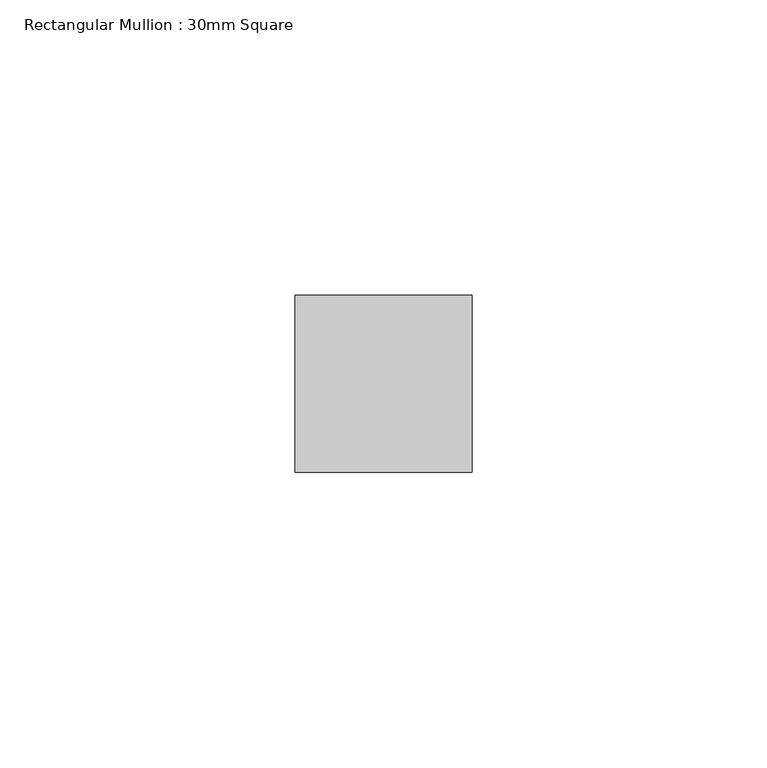
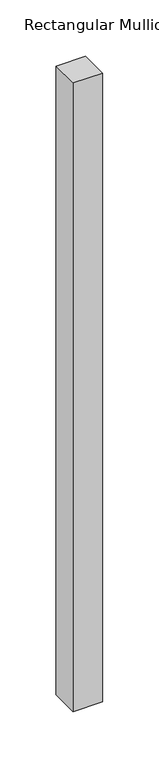
"""IFC4 building model written with IfcOpenShell, lengths in millimetres: member geometry, Rectangular Mullion : 30mm Square."""

from ifc_helpers import new_model, si_unit, frame, origin, place, context, project, spatial, polyline, outline, extrude, source, transform, mapped, element, save


def rectangular_mullion_30mm_square_c6dfcebd(model_context):
    return source(origin(), model_context, "Body", "SweptSolid", [
        extrude(outline(polyline([(15.0, 15.0), (15.0, -15.0), (-15.0, -15.0), (-15.0, 15.0), (15.0, 15.0)])), frame((0.0, 0.0, -680.0), z_axis=(0.0, 0.0, 1.0), x_axis=(1.0, 0.0, 0.0)), (0.0, 0.0, 1.0), 680.0),
    ])


if __name__ == "__main__":
    model = new_model("IFC4")
    model_context = context("Model", 3, world=origin())
    ifc_project = project(units=[si_unit("LENGTHUNIT", "METRE", prefix="MILLI")], contexts=[model_context])
    site = spatial("IfcSite", under=ifc_project)
    building = spatial("IfcBuilding", under=site)
    placement = place(None, origin())
    rectangular_mullion_30mm_square_shape = rectangular_mullion_30mm_square_c6dfcebd(model_context)
    element("IfcMember", 1, ObjectType="Rectangular Mullion : 30mm Square", at=placement, inside=building, context=model_context, shape_type="MappedRepresentation", body=[
        mapped(rectangular_mullion_30mm_square_shape, transform((0.0, 0.0, 0.0), x_axis=(1.0, 0.0, 0.0), y_axis=(0.0, 1.0, 0.0), z_axis=(0.0, 0.0, 1.0))),
    ])
    save(model, "model.ifc")
